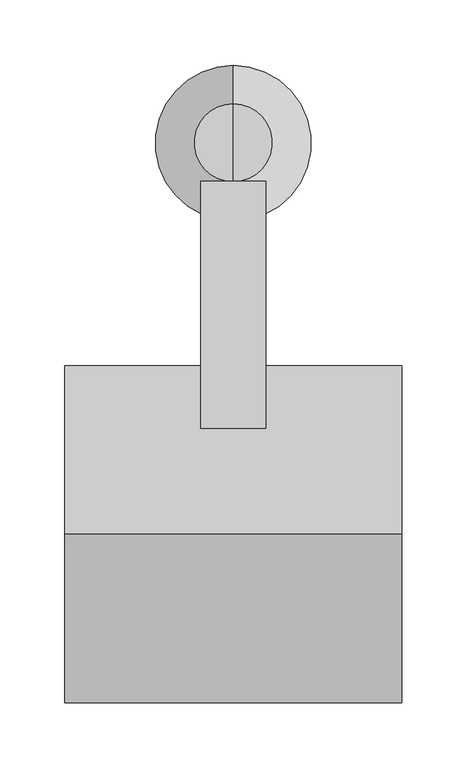
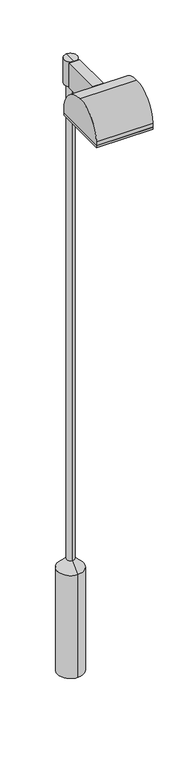
"""IFC4 building model written with IfcOpenShell, lengths in millimetres: light fixture geometry."""

from ifc_helpers import new_model, si_unit, point, frame, frame_2d, origin, place, context, project, spatial, polyline, circle_curve, trimmed, segment, composite_curve, outline, extrude, source, transform, mapped, element, save
from ifc_brep_helpers import plane_surface, cylinder_surface, revolved_surface, advanced_brep


def light_fixture_99749a2d(model_context):
    return source(origin(), model_context, "Body", "SolidModel", [
        extrude(outline(composite_curve([segment(trimmed(circle_curve(frame_2d((-302.0, 2875.0)), 130.0), [point((-172.0, 2875.0))], [point((-220.2897046, 2976.1109669))], True, "CARTESIAN"), True, "CONTINUOUS"), segment(polyline([(-220.2897046, 2976.1109669), (-30.0, 2976.1109669), (-30.0, 2856.1109669), (-172.0, 2856.1109669), (-172.0, 2875.0)]), True, "CONTINUOUS")], self_intersect=False)), frame((-25.0, 0.0, 0.0), z_axis=(1.0, 0.0, 0.0), x_axis=(0.0, 1.0, 0.0)), (0.0, 0.0, 1.0), 50.0),
        extrude(outline(polyline([(-130.0, -432.0), (-130.0, -172.0), (130.0, -172.0), (130.0, -432.0), (-130.0, -432.0)])), frame((0.0, 0.0, 2845.0), z_axis=(0.0, 0.0, 1.0), x_axis=(1.0, 0.0, 0.0)), (0.0, 0.0, 1.0), 10.0),
        extrude(outline(composite_curve([segment(trimmed(circle_curve(frame_2d((-302.0, 2875.0)), 130.0), [point((-432.0, 2875.0))], [point((-302.0, 3005.0))], False, "CARTESIAN"), True, "CONTINUOUS"), segment(trimmed(circle_curve(frame_2d((-302.0, 2875.0)), 130.0), [point((-302.0, 3005.0))], [point((-172.0, 2875.0))], False, "CARTESIAN"), True, "CONTINUOUS"), segment(polyline([(-172.0, 2875.0), (-172.0, 2855.0), (-432.0, 2855.0), (-432.0, 2875.0)]), True, "CONTINUOUS")], self_intersect=False)), frame((-130.0, 0.0, 0.0), z_axis=(1.0, 0.0, 0.0), x_axis=(0.0, 1.0, 0.0)), (0.0, 0.0, 1.0), 260.0),
        advanced_brep(
        [(0.0, 0.0, 2976.1109669), (0.0, -30.0, 2976.1109669), (0.0, 30.0, 2976.1109669), (0.0, 30.0, 2856.1109669), (0.0, -30.0, 2856.1109669), (0.0, 0.0, 2856.1109669)],
        [
            (0, 1),
            (1, 2, circle_curve(frame((0.0, 0.0, 2976.1109669), z_axis=(0.0, 0.0, 1.0), x_axis=(0.0, -1.0, 0.0)), 30.0)),
            (2, 0),
            (2, 1, circle_curve(frame((0.0, 0.0, 2976.1109669), z_axis=(0.0, 0.0, 1.0), x_axis=(0.0, -1.0, 0.0)), 30.0)),
            (3, 4, circle_curve(frame((0.0, 0.0, 2856.1109669), z_axis=(0.0, 0.0, -1.0), x_axis=(0.0, -1.0, 0.0)), 30.0)),
            (4, 5),
            (5, 3),
            (4, 3, circle_curve(frame((0.0, 0.0, 2856.1109669), z_axis=(0.0, 0.0, -1.0), x_axis=(0.0, -1.0, 0.0)), 30.0)),
            (1, 4),
            (3, 2),
        ],
        [
            plane_surface(frame((0.0, 0.0, 2976.1109669), z_axis=(0.0, 0.0, 1.0), x_axis=(0.0, -1.0, 0.0))),
            plane_surface(frame((0.0, 0.0, 2856.1109669), z_axis=(0.0, 0.0, -1.0), x_axis=(0.0, -1.0, 0.0))),
            cylinder_surface(frame((0.0, 0.0, 2976.1109669), z_axis=(0.0, 0.0, 1.0), x_axis=(0.0, -1.0, 0.0)), 30.0),
        ],
        [
            (0, [[1, 2, 3]]),
            (0, [[-3, 4, -1]]),
            (1, [[5, 6, 7]]),
            (1, [[8, -7, -6]]),
            (2, [[-2, 9, -5, 10]]),
            (2, [[-4, -10, -8, -9]]),
        ],
    ),
        advanced_brep(
        [(0.0, 0.0, 0.0), (0.0, 60.0, 0.0), (0.0, -60.0, 0.0), (0.0, -17.5735931, 2956.1109669), (0.0, 17.5735931, 2956.1109669), (0.0, 0.0, 2956.1109669), (0.0, -17.5735931, 542.4264069), (0.0, 17.5735931, 542.4264069), (0.0, -60.0, 500.0), (0.0, 60.0, 500.0)],
        [
            (0, 1),
            (1, 2, circle_curve(frame((0.0, 0.0, 0.0), z_axis=(0.0, 0.0, -1.0), x_axis=(0.0, 1.0, 0.0)), 60.0)),
            (2, 0),
            (2, 1, circle_curve(frame((0.0, 0.0, 0.0), z_axis=(0.0, 0.0, -1.0), x_axis=(0.0, 1.0, 0.0)), 60.0)),
            (3, 4, circle_curve(frame((0.0, 0.0, 2956.1109669), z_axis=(0.0, 0.0, 1.0), x_axis=(0.0, 1.0, 0.0)), 17.5735931)),
            (4, 5),
            (5, 3),
            (4, 3, circle_curve(frame((0.0, 0.0, 2956.1109669), z_axis=(0.0, 0.0, 1.0), x_axis=(0.0, 1.0, 0.0)), 17.5735931)),
            (6, 7, circle_curve(frame((0.0, 0.0, 542.4264069), z_axis=(0.0, 0.0, 1.0), x_axis=(0.0, 1.0, 0.0)), 17.5735931)),
            (7, 4),
            (3, 6),
            (7, 6, circle_curve(frame((0.0, 0.0, 542.4264069), z_axis=(0.0, 0.0, 1.0), x_axis=(0.0, 1.0, 0.0)), 17.5735931)),
            (8, 9, circle_curve(frame((0.0, 0.0, 500.0), z_axis=(0.0, 0.0, 1.0), x_axis=(0.0, 1.0, 0.0)), 60.0)),
            (9, 7),
            (6, 8),
            (9, 8, circle_curve(frame((0.0, 0.0, 500.0), z_axis=(0.0, 0.0, 1.0), x_axis=(0.0, 1.0, 0.0)), 60.0)),
            (1, 9),
            (8, 2),
        ],
        [
            plane_surface(frame((0.0, 0.0, 0.0), z_axis=(0.0, 0.0, -1.0), x_axis=(0.0, 1.0, 0.0))),
            plane_surface(frame((0.0, 0.0, 2956.1109669), z_axis=(0.0, 0.0, 1.0), x_axis=(0.0, 1.0, 0.0))),
            cylinder_surface(frame((0.0, 0.0, -271.6956879), z_axis=(0.0, 0.0, -1.0), x_axis=(0.0, 1.0, 0.0)), 17.5735931),
            revolved_surface(polyline([(0.0, 17.5735931, 542.4264069), (0.0, 60.0, 500.0)]), (0.0, 0.0, -271.6956879), (0.0, 0.0, -1.0)),
            cylinder_surface(frame((0.0, 0.0, -271.6956879), z_axis=(0.0, 0.0, -1.0), x_axis=(0.0, 1.0, 0.0)), 60.0),
        ],
        [
            (0, [[1, 2, 3]]),
            (0, [[-3, 4, -1]]),
            (1, [[5, 6, 7]]),
            (1, [[8, -7, -6]]),
            (2, [[9, 10, -5, 11]]),
            (2, [[12, -11, -8, -10]]),
            (3, [[13, 14, -9, 15]]),
            (3, [[16, -15, -12, -14]]),
            (4, [[-2, 17, -13, 18]]),
            (4, [[-4, -18, -16, -17]]),
        ],
    ),
    ])


if __name__ == "__main__":
    model = new_model("IFC4")
    model_context = context("Model", 3, world=origin())
    ifc_project = project(units=[si_unit("LENGTHUNIT", "METRE", prefix="MILLI")], contexts=[model_context])
    site = spatial("IfcSite", under=ifc_project)
    building = spatial("IfcBuilding", under=site)
    placement = place(None, origin())
    light_fixture_shape = light_fixture_99749a2d(model_context)
    element("IfcLightFixture", 1, at=placement, inside=building, context=model_context, shape_type="MappedRepresentation", body=[
        mapped(light_fixture_shape, transform((0.0, 0.0, 0.0), x_axis=(1.0, 0.0, 0.0), y_axis=(0.0, 1.0, 0.0), z_axis=(0.0, 0.0, 1.0))),
    ])
    save(model, "model.ifc")
